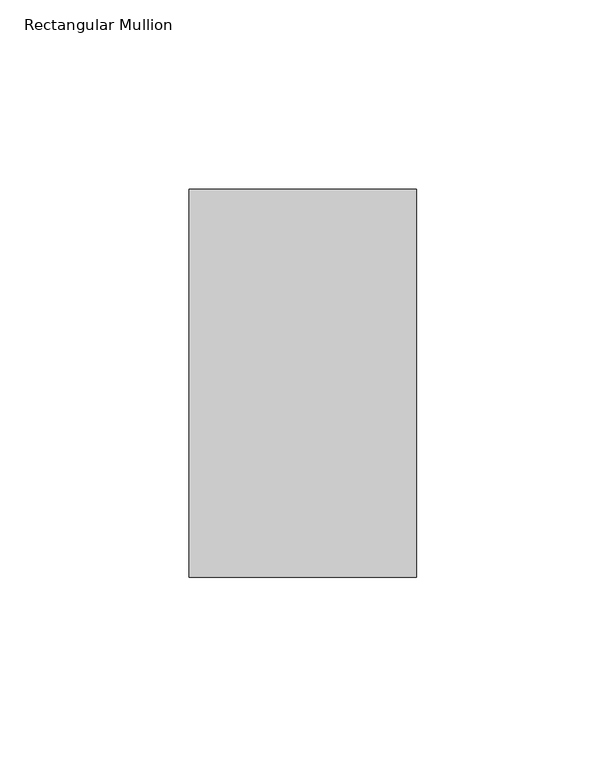
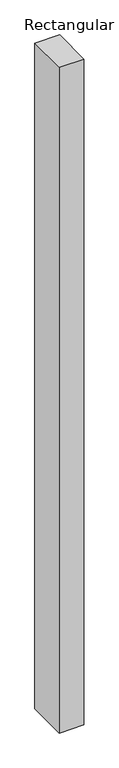
"""IFC4 building model written with IfcOpenShell, lengths in millimetres: member geometry, Rectangular Mullion."""

from ifc_helpers import new_model, si_unit, frame, origin, place, context, project, spatial, polyline, outline, extrude, source, transform, mapped, element, save


def rectangular_mullion_9095fdec(model_context):
    return source(origin(), model_context, "Body", "SweptSolid", [
        extrude(outline(polyline([(30.0, 66.73125), (30.0, -35.73125), (-30.0, -35.73125), (-30.0, 66.73125), (30.0, 66.73125)])), frame((0.0, 0.0, -1708.8912252), z_axis=(0.0, 0.0, 1.0), x_axis=(1.0, 0.0, 0.0)), (0.0, 0.0, 1.0), 1708.8912252),
    ])


if __name__ == "__main__":
    model = new_model("IFC4")
    model_context = context("Model", 3, world=origin())
    ifc_project = project(units=[si_unit("LENGTHUNIT", "METRE", prefix="MILLI")], contexts=[model_context])
    site = spatial("IfcSite", under=ifc_project)
    building = spatial("IfcBuilding", under=site)
    placement = place(None, origin())
    rectangular_mullion_shape = rectangular_mullion_9095fdec(model_context)
    element("IfcMember", 1, ObjectType="Rectangular Mullion", at=placement, inside=building, context=model_context, shape_type="MappedRepresentation", body=[
        mapped(rectangular_mullion_shape, transform((0.0, 0.0, 0.0), x_axis=(1.0, 0.0, 0.0), y_axis=(0.0, 1.0, 0.0), z_axis=(0.0, 0.0, 1.0))),
    ])
    save(model, "model.ifc")
